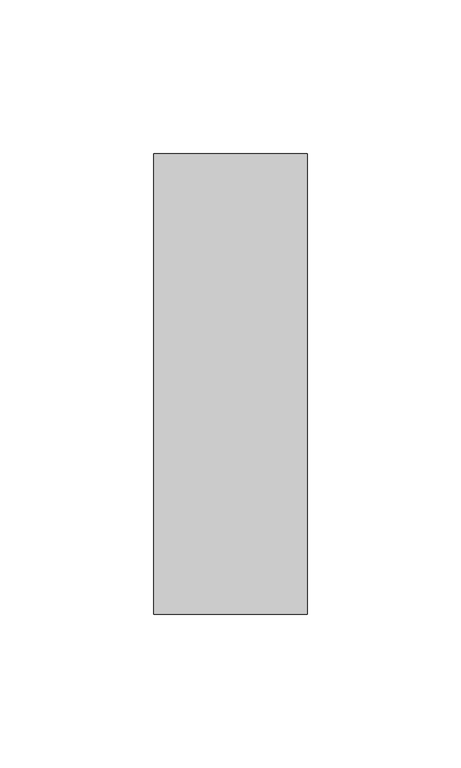
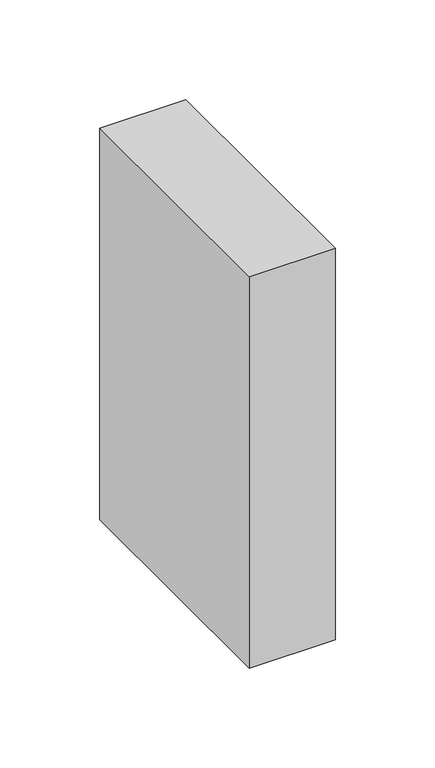
"""IFC4 building model written with IfcOpenShell, lengths in millimetres: member geometry."""

from ifc_helpers import new_model, si_unit, frame, origin, place, context, project, spatial, polyline, outline, extrude, source, transform, mapped, element, save


def member_b1af7fba(model_context):
    return source(origin(), model_context, "Body", "SweptSolid", [
        extrude(outline(polyline([(0.0, 75.0), (0.0, -75.0), (-50.0, -75.0), (-50.0, 75.0), (0.0, 75.0)])), frame((0.0, 0.0, -240.0), z_axis=(0.0, 0.0, 1.0), x_axis=(1.0, 0.0, 0.0)), (0.0, 0.0, 1.0), 240.0),
    ])


if __name__ == "__main__":
    model = new_model("IFC4")
    model_context = context("Model", 3, world=origin())
    ifc_project = project(units=[si_unit("LENGTHUNIT", "METRE", prefix="MILLI")], contexts=[model_context])
    site = spatial("IfcSite", under=ifc_project)
    building = spatial("IfcBuilding", under=site)
    placement = place(None, origin())
    member_shape = member_b1af7fba(model_context)
    element("IfcMember", 1, at=placement, inside=building, context=model_context, shape_type="MappedRepresentation", body=[
        mapped(member_shape, transform((0.0, 0.0, 0.0), x_axis=(1.0, 0.0, 0.0), y_axis=(0.0, 1.0, 0.0), z_axis=(0.0, 0.0, 1.0))),
    ])
    save(model, "model.ifc")
